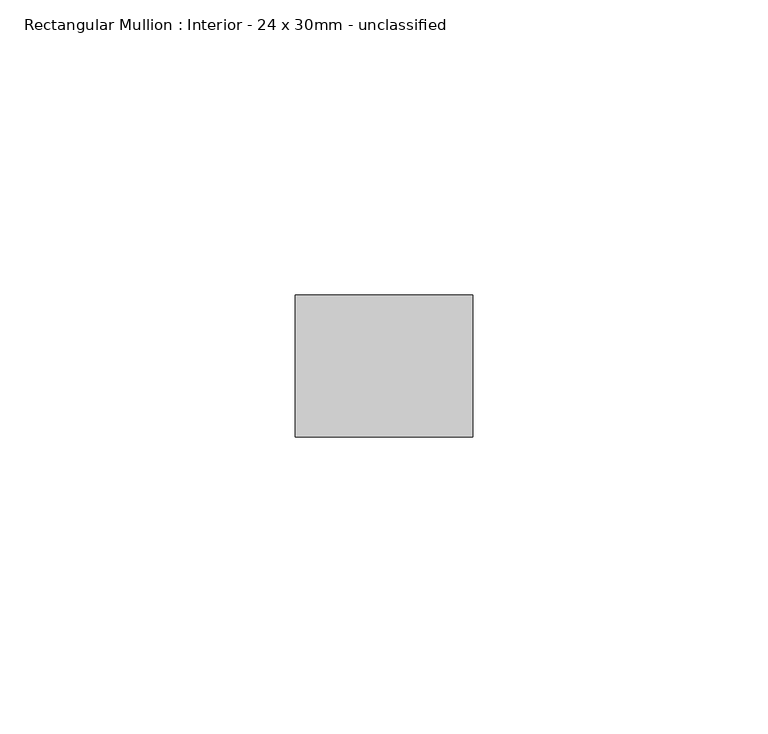
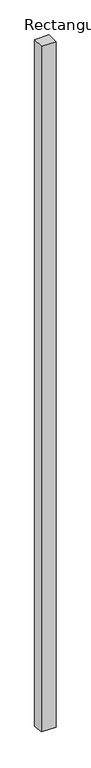
"""IFC4 building model written with IfcOpenShell, lengths in millimetres: member geometry, Rectangular Mullion : Interior - 24 x 30mm - unclassified."""

from ifc_helpers import new_model, si_unit, frame, origin, place, context, project, spatial, polyline, outline, extrude, source, transform, mapped, element, save


def rectangular_mullion_interior_24_x_30mm_unclassified_17a85e8c(model_context):
    return source(origin(), model_context, "Body", "SweptSolid", [
        extrude(outline(polyline([(-12.0, 0.0), (12.0, 0.0), (12.0, -1501.3062499), (-12.0, -1498.693764), (-12.0, 0.0)])), frame((-30.0, 0.0, 0.0), z_axis=(1.0, 0.0, 0.0), x_axis=(0.0, 1.0, 0.0)), (0.0, 0.0, 1.0), 30.0),
    ])


if __name__ == "__main__":
    model = new_model("IFC4")
    model_context = context("Model", 3, world=origin())
    ifc_project = project(units=[si_unit("LENGTHUNIT", "METRE", prefix="MILLI")], contexts=[model_context])
    site = spatial("IfcSite", under=ifc_project)
    building = spatial("IfcBuilding", under=site)
    placement = place(None, origin())
    rectangular_mullion_interior_24_x_30mm_unclassified_shape = rectangular_mullion_interior_24_x_30mm_unclassified_17a85e8c(model_context)
    element("IfcMember", 1, ObjectType="Rectangular Mullion : Interior - 24 x 30mm - unclassified", at=placement, inside=building, context=model_context, shape_type="MappedRepresentation", body=[
        mapped(rectangular_mullion_interior_24_x_30mm_unclassified_shape, transform((0.0, 0.0, 0.0), x_axis=(1.0, 0.0, 0.0), y_axis=(0.0, 1.0, 0.0), z_axis=(0.0, 0.0, 1.0))),
    ])
    save(model, "model.ifc")
